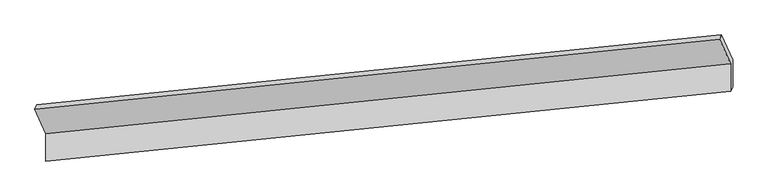
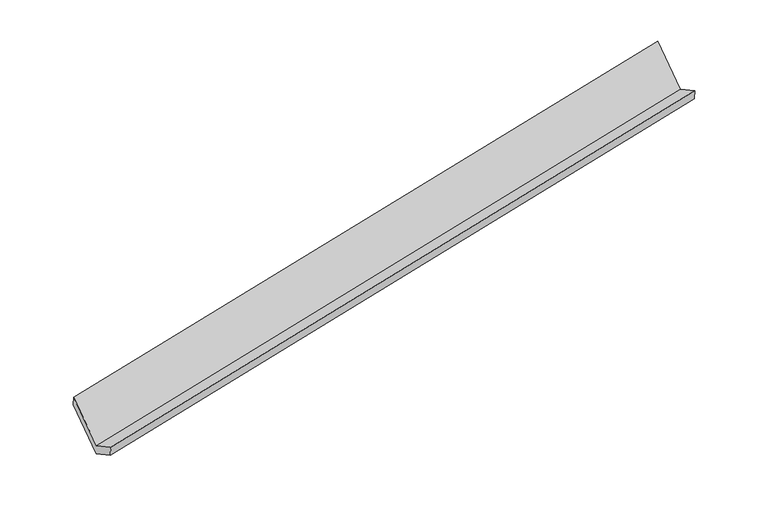
"""IFC4 building model written with IfcOpenShell, lengths in millimetres: proxy geometry."""

from ifc_helpers import new_model, si_unit, origin, place, context, project, spatial, faceted_brep, source, transform, mapped, element, save


def generic_models_4bb6ca02(model_context):
    return source(origin(), model_context, "Body", "Brep", [
        faceted_brep([(-7476.6354083, -1994.2118096, 830.0872095), (-7477.2550625, -2367.8500746, 1031.7906132), (1828.306155, -1418.9568252, 2849.6981934), (1828.9258092, -1045.3185602, 2647.9947897), (-7449.9680203, -2310.8138511, 857.8922649), (1855.5931972, -1361.9206016, 2675.7998451), (-7449.3568909, -1942.3158337, 658.9637523), (1856.2043266, -993.4225843, 2476.8713324), (-7602.5402918, -1603.8912566, 1285.3956756), (1703.0209256, -654.9980072, 3103.3032558), (-7627.0435597, -1661.9185278, 1445.1699598), (1678.5176578, -713.0252784, 3263.0775399)], [[[0, 1, 2, 3]], [[1, 4, 5, 2]], [[4, 6, 7, 5]], [[6, 8, 9, 7]], [[8, 10, 11, 9]], [[10, 0, 3, 11]], [[9, 11, 3, 2, 5, 7]], [[0, 10, 8, 6, 4, 1]]]),
    ])


if __name__ == "__main__":
    model = new_model("IFC4")
    model_context = context("Model", 3, world=origin())
    ifc_project = project(units=[si_unit("LENGTHUNIT", "METRE", prefix="MILLI")], contexts=[model_context])
    site = spatial("IfcSite", under=ifc_project)
    building = spatial("IfcBuilding", under=site)
    placement = place(None, origin())
    generic_models_shape = generic_models_4bb6ca02(model_context)
    element("IfcBuildingElementProxy", 1, Name="Generic Models", at=placement, inside=building, context=model_context, shape_type="MappedRepresentation", body=[
        mapped(generic_models_shape, transform((0.0, 0.0, 0.0), x_axis=(1.0, 0.0, 0.0), y_axis=(0.0, 1.0, 0.0), z_axis=(0.0, 0.0, 1.0))),
    ])
    save(model, "model.ifc")
